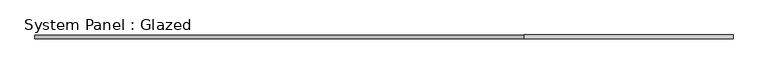
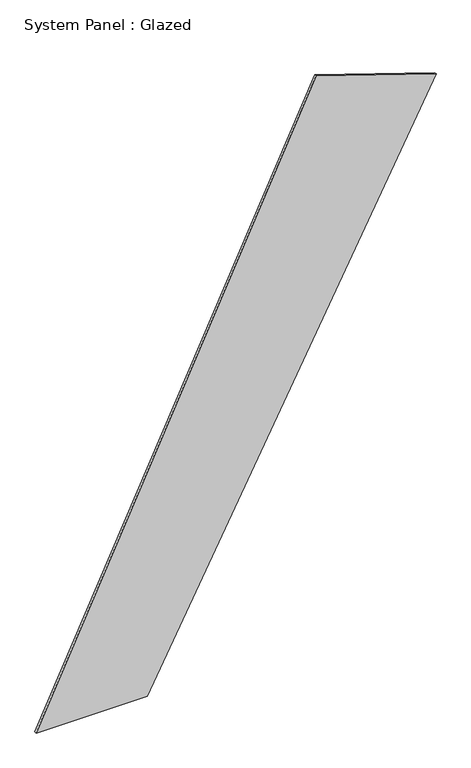
"""IFC4 building model written with IfcOpenShell, lengths in millimetres: plate geometry, System Panel : Glazed."""

from ifc_helpers import new_model, si_unit, frame, origin, place, context, project, spatial, polyline, outline, extrude, source, transform, mapped, element, save


def system_panel_glazed_0afcf933(model_context):
    return source(origin(), model_context, "Body", "SweptSolid", [
        extrude(outline(polyline([(0.0, -2352.438787), (0.0, -1042.9554191), (6551.3004728, 2352.438787), (7021.0968265, 940.9594), (0.0, -2352.438787)])), frame((0.0, 24.5, 0.0), z_axis=(0.0, 1.0, 0.0), x_axis=(0.0, 0.0, 1.0)), (0.0, 0.0, 1.0), 25.0),
    ])


if __name__ == "__main__":
    model = new_model("IFC4")
    model_context = context("Model", 3, world=origin())
    ifc_project = project(units=[si_unit("LENGTHUNIT", "METRE", prefix="MILLI")], contexts=[model_context])
    site = spatial("IfcSite", under=ifc_project)
    building = spatial("IfcBuilding", under=site)
    placement = place(None, origin())
    system_panel_glazed_shape = system_panel_glazed_0afcf933(model_context)
    element("IfcPlate", 1, ObjectType="System Panel : Glazed", at=placement, inside=building, context=model_context, shape_type="MappedRepresentation", body=[
        mapped(system_panel_glazed_shape, transform((0.0, 0.0, 0.0), x_axis=(1.0, 0.0, 0.0), y_axis=(0.0, 1.0, 0.0), z_axis=(0.0, 0.0, 1.0))),
    ])
    save(model, "model.ifc")
